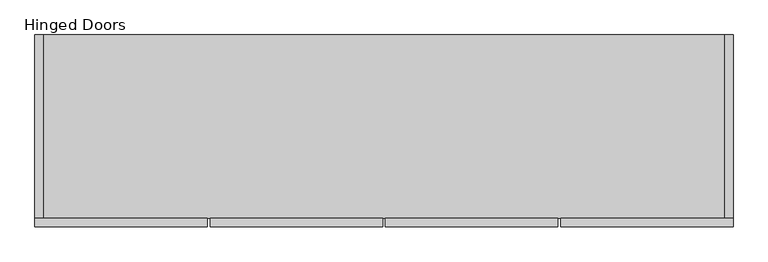
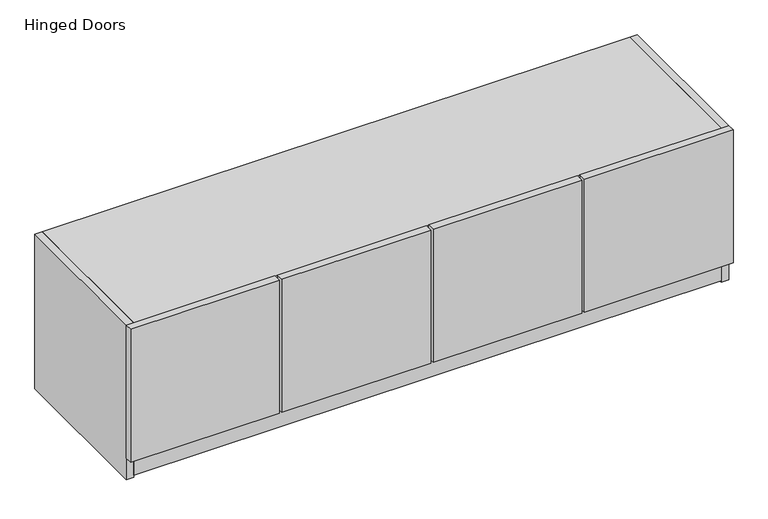
"""IFC4 building model written with IfcOpenShell, lengths in millimetres: furniture geometry, Hinged Doors."""

import ifcopenshell
import ifcopenshell.guid

model = None  # the IFC model being written
_history = None  # IfcOwnerHistory: only IFC2X3 demands one
_inside = {}  # id of a spatial element -> (the spatial element, [elements in it])
_under = {}  # id of a project, library or spatial element -> (it, [spatial elements below it])
_declared = {}  # id of a project -> (the project, [libraries it declares])
_typed = {}  # id of a type object -> (the type object, [elements of that type])
_made_of = {}  # id of a material, layer set ... -> (it, [elements and type objects made of it])


def new_model(schema):
    """Start an empty IFC model of exactly this schema.

    Asked for "IFC4X3", IfcOpenShell would pick the latest addendum, in which some entities
    have other attributes; the version numbers below select the first issue.
    IFC2X3 requires an IfcOwnerHistory on every rooted entity: one is made here for all.
    """
    global model, _history
    if schema == "IFC4X3":
        model = ifcopenshell.file(schema_version=(4, 3, 0, 0))
    else:
        model = ifcopenshell.file(schema=schema)
    _inside.clear()
    _under.clear()
    _declared.clear()
    _typed.clear()
    _made_of.clear()
    _history = None
    if model.schema == "IFC2X3":
        org = make("IfcOrganization", Name="unknown")
        user = make(
            "IfcPersonAndOrganization",
            ThePerson=make("IfcPerson", FamilyName="unknown"),
            TheOrganization=org,
        )
        app = make(
            "IfcApplication",
            ApplicationDeveloper=org,
            Version="unknown",
            ApplicationFullName="unknown",
            ApplicationIdentifier="unknown",
        )
        _history = make(
            "IfcOwnerHistory",
            OwningUser=user,
            OwningApplication=app,
            ChangeAction="ADDED",
            CreationDate=0,
        )
    return model


def make(cls, **values):
    """One entity of the class cls with the attributes given. An attribute that is None is left unset."""
    return model.create_entity(
        cls, **{name: value for name, value in values.items() if value is not None}
    )


def rooted(cls, **values):
    """An entity with a GlobalId (a new one), such as an element, a storey or a relation."""
    return make(cls, GlobalId=ifcopenshell.guid.new(), OwnerHistory=_history, **values)


def si_unit(unit_type, name, prefix=None):
    """IfcSIUnit, for example si_unit("LENGTHUNIT", "METRE", prefix="MILLI")."""
    return make("IfcSIUnit", UnitType=unit_type, Prefix=prefix, Name=name)


def assignment(units):
    """IfcUnitAssignment: the units of a project."""
    return None if units is None else make("IfcUnitAssignment", Units=units)


def point(xyz):
    """IfcCartesianPoint."""
    return None if xyz is None else make("IfcCartesianPoint", Coordinates=xyz)


def direction(xyz):
    """IfcDirection."""
    return None if xyz is None else make("IfcDirection", DirectionRatios=xyz)


def frame(location, z_axis=None, x_axis=None):
    """IfcAxis2Placement3D, a coordinate frame: its origin and axes. An axis left out is left unset."""
    return make(
        "IfcAxis2Placement3D",
        Location=point(location),
        Axis=direction(z_axis),
        RefDirection=direction(x_axis),
    )


def origin():
    """The frame at (0, 0, 0) with its axes left unset."""
    return frame((0.0, 0.0, 0.0))


def place(relative_to, where):
    """IfcLocalPlacement: puts the frame where relative to a parent placement (None: the world)."""
    return make(
        "IfcLocalPlacement", PlacementRelTo=relative_to, RelativePlacement=where
    )


def context(
    kind, dimensions, precision=None, world=None, true_north=None, identifier=None
):
    """IfcGeometricRepresentationContext, for example the 3D "Model" context."""
    return make(
        "IfcGeometricRepresentationContext",
        ContextIdentifier=identifier,
        ContextType=kind,
        CoordinateSpaceDimension=dimensions,
        Precision=precision,
        WorldCoordinateSystem=world,
        TrueNorth=true_north,
    )


def project(units=None, contexts=None):
    """IfcProject with its units and contexts."""
    return rooted(
        "IfcProject",
        Name="project",
        RepresentationContexts=contexts,
        UnitsInContext=assignment(units),
    )


def spatial(cls, under=None, at=None, **own):
    """A site, building, storey or space (cls), placed at a placement, below another one or the project."""
    s = rooted(cls, ObjectPlacement=at, **own)
    if under is not None:
        _under.setdefault(under.id(), (under, []))[1].append(s)
    return s


def polyline(points):
    """IfcPolyline through the points."""
    return make("IfcPolyline", Points=[point(p) for p in points])


def outline(outer, holes=None, kind="AREA"):
    """IfcArbitraryClosedProfileDef: a profile drawn as a closed curve; with holes, ...WithVoids."""
    if holes is None:
        return make("IfcArbitraryClosedProfileDef", ProfileType=kind, OuterCurve=outer)
    return make(
        "IfcArbitraryProfileDefWithVoids",
        ProfileType=kind,
        OuterCurve=outer,
        InnerCurves=holes,
    )


def extrude(swept, where, along, depth):
    """IfcExtrudedAreaSolid: the profile swept, set in the frame where, extruded along a direction by depth."""
    return make(
        "IfcExtrudedAreaSolid",
        SweptArea=swept,
        Position=where,
        ExtrudedDirection=direction(along),
        Depth=depth,
    )


def shape(context_of_items, identifier, shape_type, items):
    """IfcShapeRepresentation: the items that make up one representation, for example the "Body"."""
    return make(
        "IfcShapeRepresentation",
        ContextOfItems=context_of_items,
        RepresentationIdentifier=identifier,
        RepresentationType=shape_type,
        Items=items,
    )


def source(mapping_origin, context_of_items, identifier, shape_type, items):
    """IfcRepresentationMap: a shape defined once, which mapped items show again and again."""
    return make(
        "IfcRepresentationMap",
        MappingOrigin=mapping_origin,
        MappedRepresentation=shape(context_of_items, identifier, shape_type, items),
    )


def transform(
    local_origin,
    x_axis=None,
    y_axis=None,
    z_axis=None,
    scale=None,
    scale2=None,
    scale3=None,
    uniform=True,
):
    """IfcCartesianTransformationOperator3D, or its non-uniform kind. x_axis, y_axis, z_axis: its Axis1, 2, 3."""
    if uniform:
        return make(
            "IfcCartesianTransformationOperator3D",
            Axis1=direction(x_axis),
            Axis2=direction(y_axis),
            LocalOrigin=point(local_origin),
            Scale=scale,
            Axis3=direction(z_axis),
        )
    return make(
        "IfcCartesianTransformationOperator3DnonUniform",
        Axis1=direction(x_axis),
        Axis2=direction(y_axis),
        LocalOrigin=point(local_origin),
        Scale=scale,
        Axis3=direction(z_axis),
        Scale2=scale2,
        Scale3=scale3,
    )


def mapped(mapping_source, mapping_target):
    """IfcMappedItem: shows the shape of a source again, moved by a transform."""
    return make(
        "IfcMappedItem", MappingSource=mapping_source, MappingTarget=mapping_target
    )


def made_of(thing, what):
    """Note that an element or type object is made of a material, layer set ...; save() writes the relation."""
    if what is not None:
        _made_of.setdefault(what.id(), (what, []))[1].append(thing)
    return thing


def element(
    cls,
    number,
    at=None,
    inside=None,
    cuts=None,
    type_object=None,
    material=None,
    context=None,
    identifier="Body",
    shape_type=None,
    held_by="IfcProductDefinitionShape",
    body=None,
    shapes=None,
    **own,
):
    """One element of the class cls, such as IfcWall. Its Tag is "e" and its number.

    at: its placement. inside: the storey or other place that contains it. cuts: it is an
    opening in that element (IfcRelVoidsElement). A single representation is given by context,
    identifier, shape_type and body (its items); several are given by shapes. held_by: the class
    of the entity that holds the representations. save() writes the other relations.
    """
    e = rooted(cls, Tag="e%d" % number, ObjectPlacement=at, **own)
    if body is not None:
        shapes = [shape(context, identifier, shape_type, body)]
    if shapes is not None:
        e.Representation = make(held_by, Representations=shapes)
    if inside is not None:
        _inside.setdefault(inside.id(), (inside, []))[1].append(e)
    if cuts is not None:
        rooted(
            "IfcRelVoidsElement", RelatingBuildingElement=cuts, RelatedOpeningElement=e
        )
    if type_object is not None:
        _typed.setdefault(type_object.id(), (type_object, []))[1].append(e)
    return made_of(e, material)


def aggregate(whole, parts):
    """IfcRelAggregates: a whole, such as a stair, and the parts it consists of."""
    return rooted("IfcRelAggregates", RelatingObject=whole, RelatedObjects=parts)


def save(model, path):
    """Write the relations noted so far, then the file.

    IfcRelAggregates (storeys below a building ...), IfcRelContainedInSpatialStructure (elements
    in a storey), IfcRelDefinesByType, IfcRelAssociatesMaterial and IfcRelDeclares: one each for
    every whole, place, type object, material and project.
    """
    for whole, parts in _under.values():
        aggregate(whole, parts)
    for where, things in _inside.values():
        rooted(
            "IfcRelContainedInSpatialStructure",
            RelatedElements=things,
            RelatingStructure=where,
        )
    for kind, things in _typed.values():
        rooted("IfcRelDefinesByType", RelatedObjects=things, RelatingType=kind)
    for what, things in _made_of.values():
        rooted("IfcRelAssociatesMaterial", RelatedObjects=things, RelatingMaterial=what)
    for by, libraries in _declared.values():
        rooted("IfcRelDeclares", RelatingContext=by, RelatedDefinitions=libraries)
    model.write(path)


def hinged_doors_9ad8f513(model_context):
    return source(origin(), model_context, "Body", "SweptSolid", [
        extrude(outline(polyline([(544.5125, -444.5), (544.5125, -463.55), (168.275, -463.55), (168.275, -444.5), (544.5125, -444.5)])), frame((0.0, 0.0, 1397.0), z_axis=(0.0, 0.0, 1.0), x_axis=(1.0, 0.0, 0.0)), (0.0, 0.0, 1.0), 355.6),
        extrude(outline(polyline([(161.925, -444.5), (161.925, -463.55), (-214.3125, -463.55), (-214.3125, -444.5), (161.925, -444.5)])), frame((0.0, 0.0, 1397.0), z_axis=(0.0, 0.0, 1.0), x_axis=(1.0, 0.0, 0.0)), (0.0, 0.0, 1.0), 355.6),
        extrude(outline(polyline([(927.1, -444.5), (927.1, -463.55), (550.8625, -463.55), (550.8625, -444.5), (927.1, -444.5)])), frame((0.0, 0.0, 1397.0), z_axis=(0.0, 0.0, 1.0), x_axis=(1.0, 0.0, 0.0)), (0.0, 0.0, 1.0), 355.6),
        extrude(outline(polyline([(-220.6625, -444.5), (-220.6625, -463.55), (-596.9, -463.55), (-596.9, -444.5), (-220.6625, -444.5)])), frame((0.0, 0.0, 1397.0), z_axis=(0.0, 0.0, 1.0), x_axis=(1.0, 0.0, 0.0)), (0.0, 0.0, 1.0), 355.6),
        extrude(outline(polyline([(174.625, -63.5), (174.625, -444.5), (155.575, -444.5), (155.575, -63.5), (174.625, -63.5)])), frame((0.0, 0.0, 1417.6375), z_axis=(0.0, 0.0, 1.0), x_axis=(1.0, 0.0, 0.0)), (0.0, 0.0, 1.0), 315.9125),
        extrude(outline(polyline([(908.05, -44.45), (908.05, -444.5), (-577.85, -444.5), (-577.85, -44.45), (908.05, -44.45)])), frame((0.0, 0.0, 1733.55), z_axis=(0.0, 0.0, 1.0), x_axis=(1.0, 0.0, 0.0)), (0.0, 0.0, 1.0), 19.05),
        extrude(outline(polyline([(-444.5, 1408.1125), (-63.5, 1408.1125), (-63.5, 1344.6125), (-107.95, 1344.6125), (-107.95, 1389.0625), (-368.3, 1389.0625), (-368.3, 1344.6125), (-444.5, 1344.6125), (-444.5, 1408.1125)])), frame((-577.85, 0.0, 0.0), z_axis=(1.0, 0.0, 0.0), x_axis=(0.0, 1.0, 0.0)), (0.0, 0.0, 1.0), 1485.9),
        extrude(outline(polyline([(908.05, -44.45), (908.05, -63.5), (-577.85, -63.5), (-577.85, -44.45), (908.05, -44.45)])), frame((0.0, 0.0, 1344.6125), z_axis=(0.0, 0.0, 1.0), x_axis=(1.0, 0.0, 0.0)), (0.0, 0.0, 1.0), 407.9875),
        extrude(outline(polyline([(927.1, -44.45), (927.1, -444.5), (908.05, -444.5), (908.05, -44.45), (927.1, -44.45)])), frame((0.0, 0.0, 1339.85), z_axis=(0.0, 0.0, 1.0), x_axis=(1.0, 0.0, 0.0)), (0.0, 0.0, 1.0), 412.75),
        extrude(outline(polyline([(-577.85, -44.45), (-577.85, -444.5), (-596.9, -444.5), (-596.9, -44.45), (-577.85, -44.45)])), frame((0.0, 0.0, 1339.85), z_axis=(0.0, 0.0, 1.0), x_axis=(1.0, 0.0, 0.0)), (0.0, 0.0, 1.0), 412.75),
    ])


if __name__ == "__main__":
    model = new_model("IFC4")
    model_context = context("Model", 3, world=origin())
    ifc_project = project(units=[si_unit("LENGTHUNIT", "METRE", prefix="MILLI")], contexts=[model_context])
    site = spatial("IfcSite", under=ifc_project)
    building = spatial("IfcBuilding", under=site)
    placement = place(None, origin())
    hinged_doors_shape = hinged_doors_9ad8f513(model_context)
    element("IfcFurniture", 1, ObjectType="Hinged Doors", at=placement, inside=building, context=model_context, shape_type="MappedRepresentation", body=[
        mapped(hinged_doors_shape, transform((0.0, 0.0, 0.0), x_axis=(1.0, 0.0, 0.0), y_axis=(0.0, 1.0, 0.0), z_axis=(0.0, 0.0, 1.0))),
    ])
    save(model, "model.ifc")
